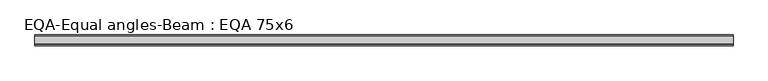
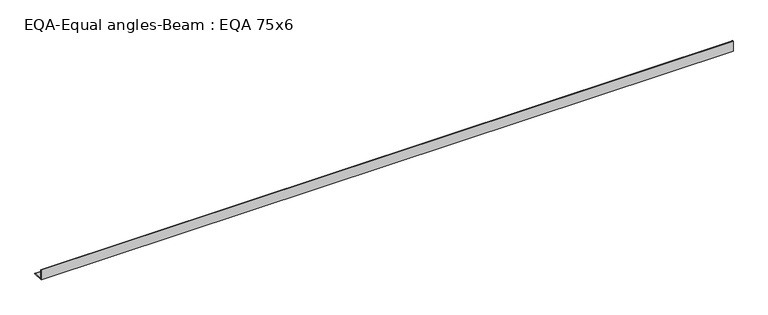
"""IFC4 building model written with IfcOpenShell, lengths in millimetres: beam geometry, EQA-Equal angles-Beam : EQA 75x6."""

from ifc_helpers import new_model, si_unit, point, frame, frame_2d, origin, place, context, project, spatial, polyline, circle_curve, trimmed, segment, composite_curve, outline, extrude, source, transform, mapped, element, save


def eqa_equal_angles_beam_eqa_75x6_eb78b97e(model_context):
    return source(origin(), model_context, "Body", "SweptSolid", [
        extrude(outline(composite_curve([segment(polyline([(-20.5, -20.5), (-20.5, 54.5), (-19.0, 54.5)]), True, "CONTINUOUS"), segment(trimmed(circle_curve(frame_2d((-19.0, 50.0)), 4.5), [point((-19.0, 54.5))], [point((-14.5, 50.0))], False, "CARTESIAN"), True, "CONTINUOUS"), segment(polyline([(-14.5, 50.0), (-14.5, -5.5)]), True, "CONTINUOUS"), segment(trimmed(circle_curve(frame_2d((-5.5, -5.5)), 9.0), [point((-14.5, -5.5))], [point((-5.5, -14.5))], True, "CARTESIAN"), True, "CONTINUOUS"), segment(polyline([(-5.5, -14.5), (50.0, -14.5)]), True, "CONTINUOUS"), segment(trimmed(circle_curve(frame_2d((50.0, -19.0)), 4.5), [point((50.0, -14.5))], [point((54.5, -19.0))], False, "CARTESIAN"), True, "CONTINUOUS"), segment(polyline([(54.5, -19.0), (54.5, -20.5), (-20.5, -20.5)]), True, "CONTINUOUS")], self_intersect=False)), frame((-2425.116553, 0.0, 0.0), z_axis=(1.0, 0.0, 0.0), x_axis=(0.0, 1.0, 0.0)), (0.0, 0.0, 1.0), 4823.1654848),
    ])


if __name__ == "__main__":
    model = new_model("IFC4")
    model_context = context("Model", 3, world=origin())
    ifc_project = project(units=[si_unit("LENGTHUNIT", "METRE", prefix="MILLI")], contexts=[model_context])
    site = spatial("IfcSite", under=ifc_project)
    building = spatial("IfcBuilding", under=site)
    placement = place(None, origin())
    eqa_equal_angles_beam_eqa_75x6_shape = eqa_equal_angles_beam_eqa_75x6_eb78b97e(model_context)
    element("IfcBeam", 1, ObjectType="EQA-Equal angles-Beam : EQA 75x6", at=placement, inside=building, context=model_context, shape_type="MappedRepresentation", body=[
        mapped(eqa_equal_angles_beam_eqa_75x6_shape, transform((0.0, 0.0, 0.0), x_axis=(1.0, 0.0, 0.0), y_axis=(0.0, 1.0, 0.0), z_axis=(0.0, 0.0, 1.0))),
    ])
    save(model, "model.ifc")
